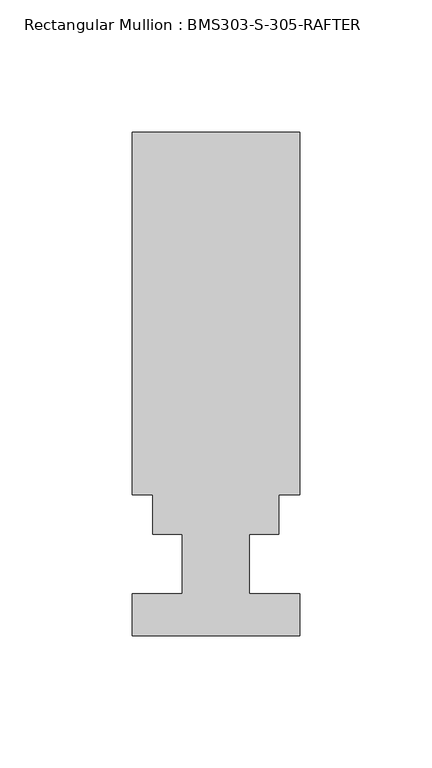
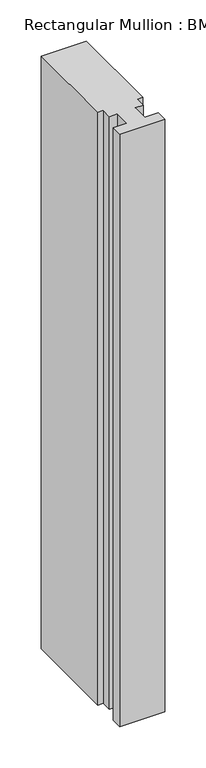
"""IFC4 building model written with IfcOpenShell, lengths in millimetres: member geometry, Rectangular Mullion : BMS303-S-305-RAFTER."""

from ifc_helpers import new_model, si_unit, frame, origin, place, context, project, spatial, polyline, outline, extrude, source, transform, mapped, element, save


def rectangular_mullion_bms303_s_305_rafter_2e954881(model_context):
    return source(origin(), model_context, "Body", "SweptSolid", [
        extrude(outline(polyline([(-31.75, 77.371575), (-31.75, 214.709375), (31.75, 214.709375), (31.75, 77.371575), (23.8252, 77.371575), (23.8252, 62.309375), (12.7, 62.309375), (12.7, 39.830375), (31.75, 39.830375), (31.75, 23.955375), (-31.75, 23.955375), (-31.75, 39.855775), (-12.7, 39.855775), (-12.7, 62.309375), (-23.8252, 62.309375), (-23.8252, 77.371575), (-31.75, 77.371575)])), frame((0.0, 0.0, -879.8818102), z_axis=(0.0, 0.0, 1.0), x_axis=(1.0, 0.0, 0.0)), (0.0, 0.0, 1.0), 879.8818102),
    ])


if __name__ == "__main__":
    model = new_model("IFC4")
    model_context = context("Model", 3, world=origin())
    ifc_project = project(units=[si_unit("LENGTHUNIT", "METRE", prefix="MILLI")], contexts=[model_context])
    site = spatial("IfcSite", under=ifc_project)
    building = spatial("IfcBuilding", under=site)
    placement = place(None, origin())
    rectangular_mullion_bms303_s_305_rafter_shape = rectangular_mullion_bms303_s_305_rafter_2e954881(model_context)
    element("IfcMember", 1, ObjectType="Rectangular Mullion : BMS303-S-305-RAFTER", at=placement, inside=building, context=model_context, shape_type="MappedRepresentation", body=[
        mapped(rectangular_mullion_bms303_s_305_rafter_shape, transform((0.0, 0.0, 0.0), x_axis=(1.0, 0.0, 0.0), y_axis=(0.0, 1.0, 0.0), z_axis=(0.0, 0.0, 1.0))),
    ])
    save(model, "model.ifc")
